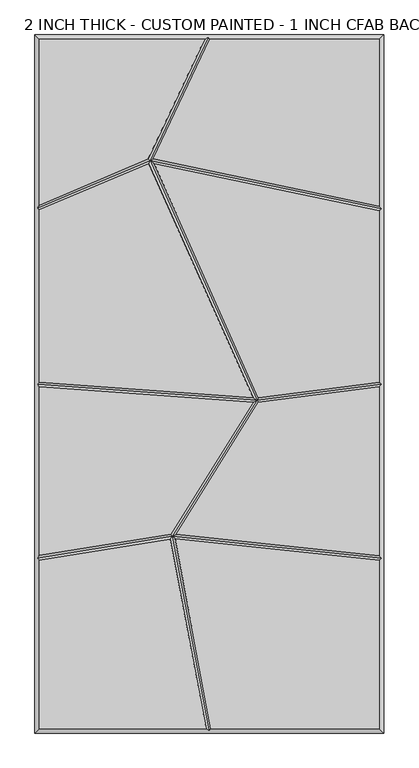
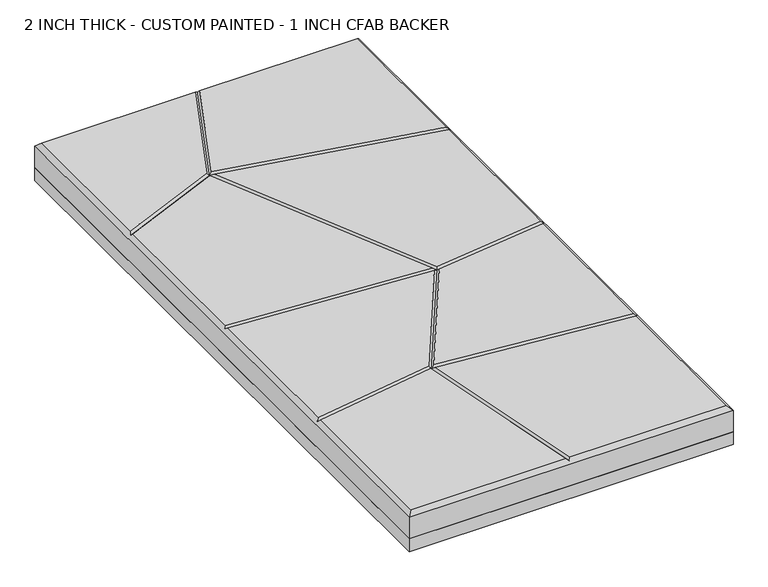
"""IFC4 building model written with IfcOpenShell, lengths in millimetres: proxy geometry, 2 INCH THICK - CUSTOM PAINTED - 1 INCH CFAB BACKER."""

from ifc_helpers import new_model, si_unit, frame, origin, place, context, project, spatial, polyline, outline, extrude, faceted_brep, source, transform, mapped, element, save


def proxy_2_inch_thick_custom_painted_1_inch_cfab_backer_6d006aed(model_context):
    return source(origin(), model_context, "Body", "SolidModel", [
        extrude(outline(polyline([(-304.8, 609.6), (304.8, 609.6), (304.8, -609.6), (-304.8, -609.6), (-304.8, 609.6)])), frame((0.0, 0.0, -25.4), z_axis=(0.0, 0.0, 1.0), x_axis=(1.0, 0.0, 0.0)), (0.0, 0.0, 1.0), 25.4),
        faceted_brep([(-8.2028961, 601.599, 50.8), (-296.799, 601.599, 50.8), (-296.799, 312.5432369, 50.8), (-106.5730663, 393.3098245, 50.8), (-296.799, -601.599, 50.8), (-5.5875044, -601.599, 50.8), (-68.2811687, -270.685629, 50.8), (-296.799, -307.5611441, 50.8), (296.799, 601.599, 50.8), (0.6455208, 601.599, 50.8), (-97.8234472, 393.1006299, 50.8), (296.799, 310.5605776, 50.8), (2.5558226, -601.599, 50.8), (296.799, -601.599, 50.8), (296.799, -307.9855233, 50.8), (-60.1438104, -270.6541244, 50.8), (296.799, 302.386434, 50.8), (-96.7636582, 384.7048187, 50.8), (85.535097, -23.8552953, 50.8), (296.799, 3.0150912, 50.8), (-105.6591812, 385.0055382, 50.8), (-296.799, 303.850931, 50.8), (-296.799, 3.4294067, 50.8), (76.7151864, -23.7240351, 50.8), (296.799, -5.0503652, 50.8), (85.483213, -31.9273507, 50.8), (-58.2987801, -262.8024498, 50.8), (296.799, -299.9408835, 50.8), (76.1939437, -31.7082565, 50.8), (-296.799, -4.5927076, 50.8), (-296.799, -299.4566417, 50.8), (-67.5090689, -262.4565343, 50.8), (-304.8, 609.6, 0.0), (304.8, 609.6, 0.0), (304.8, -609.6, 0.0), (-304.8, -609.6, 0.0), (-304.8, -609.6, 42.799), (-304.8, 609.6, 42.799), (304.8, -609.6, 42.799), (304.8, 609.6, 42.799), (-1.8893438, 605.5995, 46.7995), (-300.7995, -304.1544464, 46.7995), (-300.7995, -0.2908252, 46.7995), (-300.7995, 306.498542, 46.7995), (-0.7579204, -605.5995, 46.7995), (300.7995, 305.6367529, 46.7995), (300.7995, -0.5088185, 46.7995), (300.7995, -304.3816017, 46.7995), (-65.0752426, -266.1160433, 46.7995), (83.0924453, -28.1987012, 46.7995), (-103.6066104, 390.2231766, 46.7995)], [[[0, 1, 2, 3]], [[4, 5, 6, 7]], [[8, 9, 10, 11]], [[12, 13, 14, 15]], [[16, 17, 18, 19]], [[20, 21, 22, 23]], [[24, 25, 26, 27]], [[28, 29, 30, 31]], [[32, 33, 34, 35]], [[32, 35, 36, 37]], [[35, 34, 38, 36]], [[34, 33, 39, 38]], [[33, 32, 37, 39]], [[37, 1, 0, 40, 9, 8, 39]], [[1, 37, 36, 4, 7, 41, 30, 29, 42, 22, 21, 43, 2]], [[4, 36, 38, 13, 12, 44, 5]], [[39, 8, 11, 45, 16, 19, 46, 24, 27, 47, 14, 13, 38]], [[44, 48, 6, 5]], [[48, 44, 12, 15]], [[48, 49, 28, 31]], [[49, 48, 26, 25]], [[49, 50, 20, 23]], [[50, 49, 18, 17]], [[50, 40, 0, 3]], [[40, 50, 10, 9]], [[45, 50, 17, 16]], [[50, 45, 11, 10]], [[50, 43, 21, 20]], [[43, 50, 3, 2]], [[46, 49, 25, 24]], [[49, 46, 19, 18]], [[49, 42, 29, 28]], [[42, 49, 23, 22]], [[47, 48, 15, 14]], [[48, 47, 27, 26]], [[48, 41, 7, 6]], [[41, 48, 31, 30]]]),
    ])


if __name__ == "__main__":
    model = new_model("IFC4")
    model_context = context("Model", 3, world=origin())
    ifc_project = project(units=[si_unit("LENGTHUNIT", "METRE", prefix="MILLI")], contexts=[model_context])
    site = spatial("IfcSite", under=ifc_project)
    building = spatial("IfcBuilding", under=site)
    placement = place(None, origin())
    proxy_2_inch_thick_custom_painted_1_inch_cfab_backer_shape = proxy_2_inch_thick_custom_painted_1_inch_cfab_backer_6d006aed(model_context)
    element("IfcBuildingElementProxy", 1, Name="2 INCH THICK - CUSTOM PAINTED - 1 INCH CFAB BACKER", ObjectType="2 INCH THICK - CUSTOM PAINTED - 1 INCH CFAB BACKER", at=placement, inside=building, context=model_context, shape_type="MappedRepresentation", body=[
        mapped(proxy_2_inch_thick_custom_painted_1_inch_cfab_backer_shape, transform((0.0, 0.0, 0.0), x_axis=(1.0, 0.0, 0.0), y_axis=(0.0, 1.0, 0.0), z_axis=(0.0, 0.0, 1.0))),
    ])
    save(model, "model.ifc")
